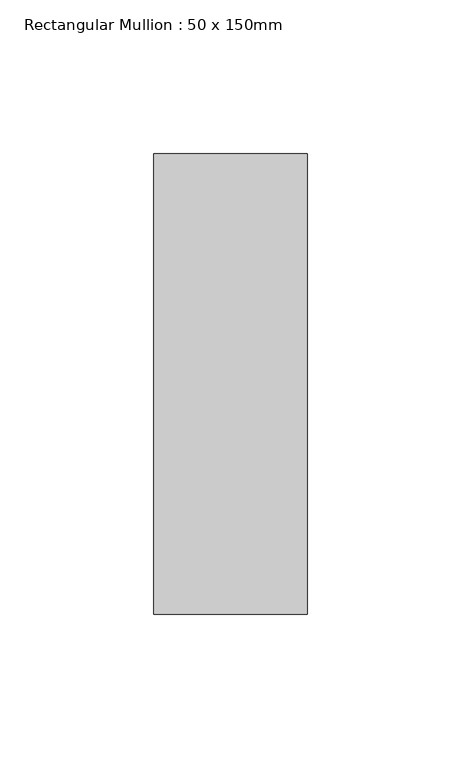
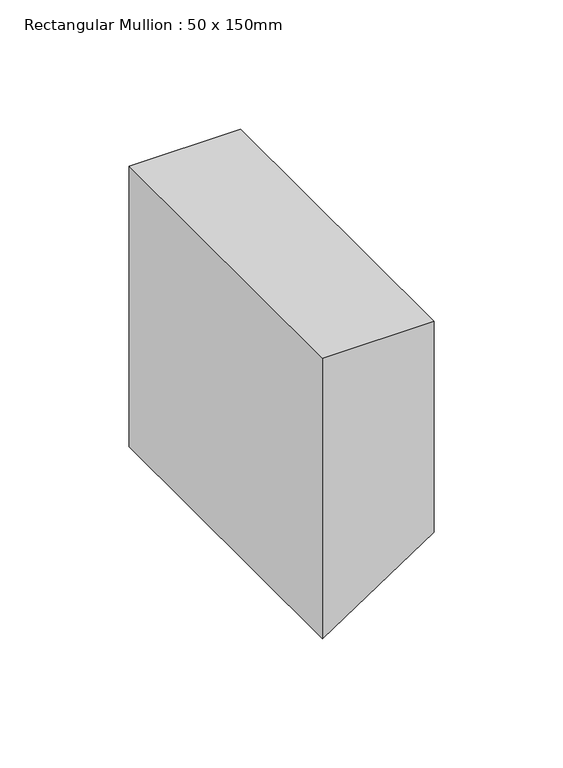
"""IFC4 building model written with IfcOpenShell, lengths in millimetres: member geometry, Rectangular Mullion : 50 x 150mm."""

from ifc_helpers import new_model, si_unit, frame, origin, place, context, project, spatial, polyline, circle_curve, source, transform, mapped, element, save
from ifc_brep_helpers import plane_surface, revolved_surface, advanced_brep


def rectangular_mullion_50_x_150mm_fb078cb1(model_context):
    return source(origin(), model_context, "Body", "AdvancedBrep", [
        advanced_brep(
        [(25.0, 75.0, 0.0), (-25.0, 75.0, 0.0), (-25.0, -75.0, 0.0), (25.0, -75.0, 0.0), (25.0, 75.0, -99.7731733), (-25.0, 75.0, -132.6936159), (-25.0, 29.2453301, -132.6936159), (-25.0, -75.0, -132.6936159), (25.0, -75.0, -99.7731733)],
        [
            (0, 1),
            (1, 2),
            (2, 3),
            (3, 0),
            (0, 4),
            (4, 5, circle_curve(frame((2316.9443343, 75.0, -3635.2388382), z_axis=(0.0, -1.0, 0.0), x_axis=(-0.4874566813920726, 0.0, 0.8731471718823967)), 4213.3746925)),
            (5, 1),
            (5, 6),
            (6, 7),
            (7, 2),
            (7, 8, circle_curve(frame((2316.9443343, -75.0, -3635.2388382), z_axis=(0.0, 1.0, 0.0), x_axis=(-0.4874566813920726, 0.0, 0.8731471718823967)), 4213.3746925)),
            (8, 3),
            (8, 4),
        ],
        [
            plane_surface(frame((0.0, -79.0569415, 0.0), z_axis=(0.0, 0.0, 1.0), x_axis=(-1.0, 0.0, 0.0))),
            plane_surface(frame((25.0, 75.0, 0.0), z_axis=(0.0, 1.0, 0.0), x_axis=(0.0, 0.0, -1.0))),
            plane_surface(frame((-25.0, 75.0, 0.0), z_axis=(-1.0, 0.0, 0.0), x_axis=(0.0, 0.0, -1.0))),
            plane_surface(frame((-25.0, -75.0, 0.0), z_axis=(0.0, -1.0, 0.0), x_axis=(0.0, 0.0, -1.0))),
            plane_surface(frame((25.0, -75.0, 0.0), z_axis=(1.0, 0.0, 0.0), x_axis=(0.0, 0.0, -1.0))),
            revolved_surface(polyline([(263.10668923260573, -75.00000000000003, 43.657358637237394), (263.10668923260573, 75.00000000000003, 43.657358637237394)]), (2316.9443343, 0.0, -3635.2388382), (0.0, -1.0000000000000002, 0.0)),
        ],
        [
            (0, [[1, 2, 3, 4]]),
            (1, [[-1, 5, 6, 7]]),
            (2, [[-2, -7, 8, 9, 10]]),
            (3, [[-3, -10, 11, 12]]),
            (4, [[-4, -12, 13, -5]]),
            (5, [[-13, -11, -9, -8, -6]]),
        ],
    ),
    ])


if __name__ == "__main__":
    model = new_model("IFC4")
    model_context = context("Model", 3, world=origin())
    ifc_project = project(units=[si_unit("LENGTHUNIT", "METRE", prefix="MILLI")], contexts=[model_context])
    site = spatial("IfcSite", under=ifc_project)
    building = spatial("IfcBuilding", under=site)
    placement = place(None, origin())
    rectangular_mullion_50_x_150mm_shape = rectangular_mullion_50_x_150mm_fb078cb1(model_context)
    element("IfcMember", 1, ObjectType="Rectangular Mullion : 50 x 150mm", at=placement, inside=building, context=model_context, shape_type="MappedRepresentation", body=[
        mapped(rectangular_mullion_50_x_150mm_shape, transform((0.0, 0.0, 0.0), x_axis=(1.0, 0.0, 0.0), y_axis=(0.0, 1.0, 0.0), z_axis=(0.0, 0.0, 1.0))),
    ])
    save(model, "model.ifc")
